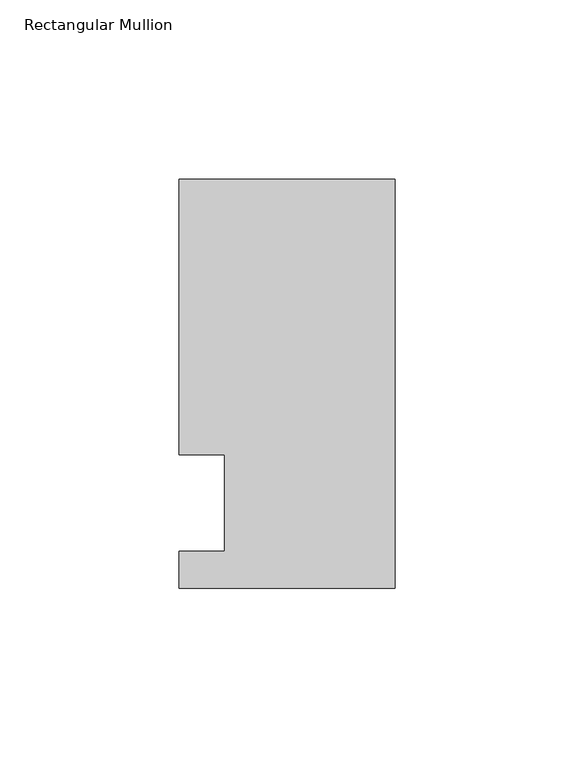
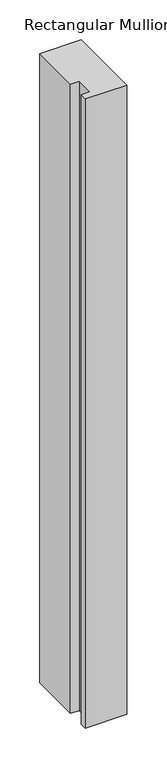
"""IFC4 building model written with IfcOpenShell, lengths in millimetres: member geometry, Rectangular Mullion."""

from ifc_helpers import new_model, si_unit, frame, origin, place, context, project, spatial, polyline, outline, extrude, source, transform, mapped, element, save


def rectangular_mullion_21ce8375(model_context):
    return source(origin(), model_context, "Body", "SweptSolid", [
        extrude(outline(polyline([(-60.325, 90.4875), (0.0, 90.4875), (0.0, -23.8125), (-60.325, -23.8125), (-60.325, -13.49375), (-47.6232296, -13.49375), (-47.6232296, 13.49375), (-60.325, 13.49375), (-60.325, 90.4875)])), frame((0.0, 0.0, -965.2), z_axis=(0.0, 0.0, 1.0), x_axis=(1.0, 0.0, 0.0)), (0.0, 0.0, 1.0), 965.2),
    ])


if __name__ == "__main__":
    model = new_model("IFC4")
    model_context = context("Model", 3, world=origin())
    ifc_project = project(units=[si_unit("LENGTHUNIT", "METRE", prefix="MILLI")], contexts=[model_context])
    site = spatial("IfcSite", under=ifc_project)
    building = spatial("IfcBuilding", under=site)
    placement = place(None, origin())
    rectangular_mullion_shape = rectangular_mullion_21ce8375(model_context)
    element("IfcMember", 1, ObjectType="Rectangular Mullion", at=placement, inside=building, context=model_context, shape_type="MappedRepresentation", body=[
        mapped(rectangular_mullion_shape, transform((0.0, 0.0, 0.0), x_axis=(1.0, 0.0, 0.0), y_axis=(0.0, 1.0, 0.0), z_axis=(0.0, 0.0, 1.0))),
    ])
    save(model, "model.ifc")
